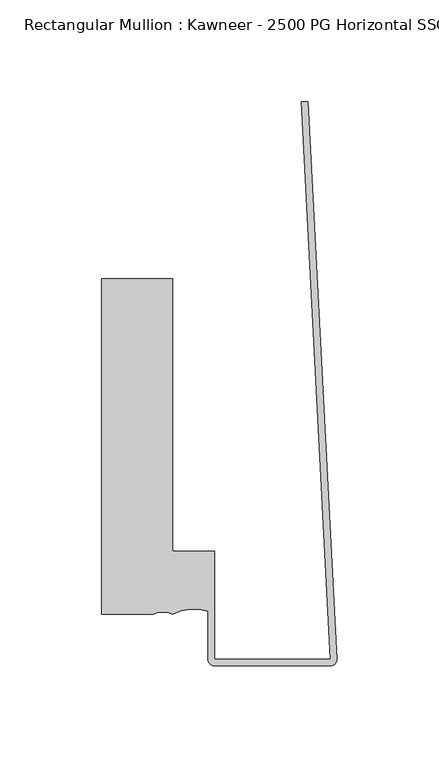
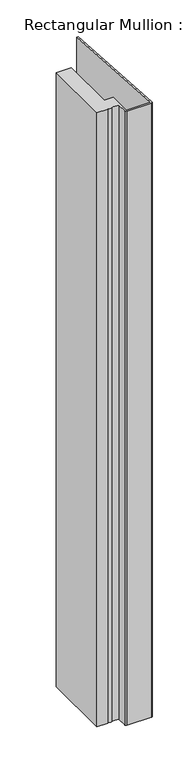
"""IFC4 building model written with IfcOpenShell, lengths in millimetres: member geometry, Rectangular Mullion : Kawneer - 2500 PG Horizontal SSG - Mullion_Head."""

from ifc_helpers import new_model, si_unit, point, frame, frame_2d, origin, place, context, project, spatial, polyline, circle_curve, trimmed, segment, composite_curve, outline, extrude, source, transform, mapped, element, save


def rectangular_mullion_kawneer_2500_pg_horizontal_ssg_mullion_443c98aa(model_context):
    return source(origin(), model_context, "Body", "SweptSolid", [
        extrude(outline(composite_curve([segment(polyline([(-80.9625, 95.25), (-80.9625, -38.8620344), (-60.3250001, -38.8620344), (-60.3250001, -92.0750171), (-3.175, -92.0750171), (-17.5525632, 182.2652306), (-14.373206, 182.2652306), (-0.0043512, -91.9088505)]), True, "CONTINUOUS"), segment(trimmed(circle_curve(frame_2d((-3.175, -92.0750171)), 3.175), [point((-0.0043512, -91.9088505))], [point((-3.175, -95.2500171))], False, "CARTESIAN"), True, "CONTINUOUS"), segment(polyline([(-3.175, -95.2500171), (-60.3250001, -95.2500171)]), True, "CONTINUOUS"), segment(trimmed(circle_curve(frame_2d((-60.3250001, -92.0750171)), 3.175), [point((-60.3250001, -95.2500171))], [point((-63.5000001, -92.0750171))], False, "CARTESIAN"), True, "CONTINUOUS"), segment(polyline([(-63.5000001, -92.0750171), (-63.5000001, -68.5064162)]), True, "CONTINUOUS"), segment(trimmed(circle_curve(frame_2d((-70.7092948, -88.9585063)), 21.6855233), [point((-63.5000001, -68.5064162))], [point((-80.9624832, -69.8500252))], True, "CARTESIAN"), True, "CONTINUOUS"), segment(trimmed(circle_curve(frame_2d((-85.725, -79.7243466)), 10.9628366), [point((-80.9624832, -69.8500252))], [point((-90.4875, -69.8500171))], True, "CARTESIAN"), True, "CONTINUOUS"), segment(polyline([(-90.4875, -69.8500171), (-115.9625, -69.8500171), (-115.9625, 95.25), (-80.9625, 95.25)]), True, "CONTINUOUS")], self_intersect=False)), frame((0.0, 0.0, -1522.9398248), z_axis=(0.0, 0.0, 1.0), x_axis=(1.0, 0.0, 0.0)), (0.0, 0.0, 1.0), 1522.9398248),
    ])


if __name__ == "__main__":
    model = new_model("IFC4")
    model_context = context("Model", 3, world=origin())
    ifc_project = project(units=[si_unit("LENGTHUNIT", "METRE", prefix="MILLI")], contexts=[model_context])
    site = spatial("IfcSite", under=ifc_project)
    building = spatial("IfcBuilding", under=site)
    placement = place(None, origin())
    rectangular_mullion_kawneer_2500_pg_horizontal_ssg_mullion_shape = rectangular_mullion_kawneer_2500_pg_horizontal_ssg_mullion_443c98aa(model_context)
    element("IfcMember", 1, ObjectType="Rectangular Mullion : Kawneer - 2500 PG Horizontal SSG - Mullion_Head", at=placement, inside=building, context=model_context, shape_type="MappedRepresentation", body=[
        mapped(rectangular_mullion_kawneer_2500_pg_horizontal_ssg_mullion_shape, transform((0.0, 0.0, 0.0), x_axis=(1.0, 0.0, 0.0), y_axis=(0.0, 1.0, 0.0), z_axis=(0.0, 0.0, 1.0))),
    ])
    save(model, "model.ifc")
